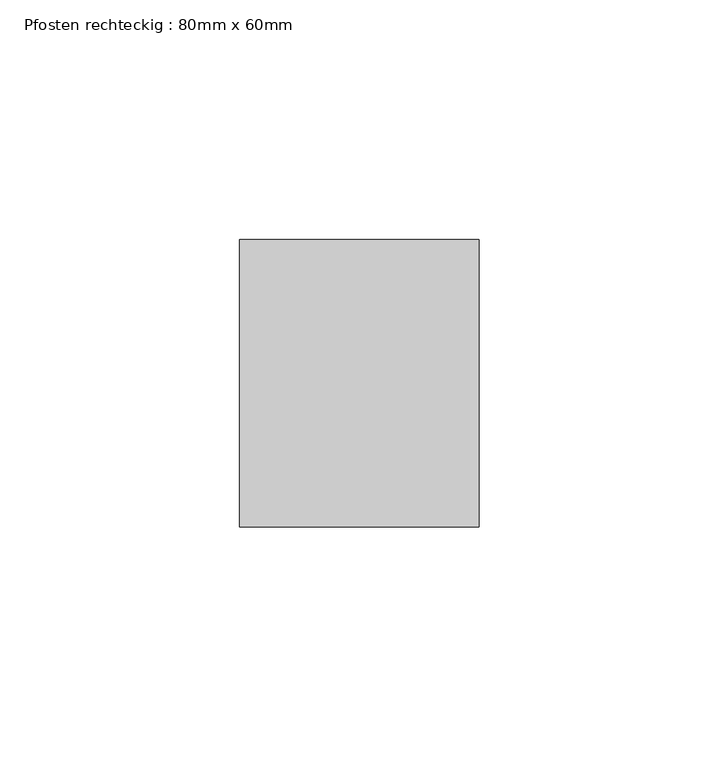
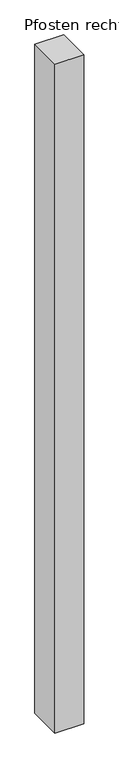
"""IFC4 building model written with IfcOpenShell, lengths in millimetres: member geometry, Pfosten rechteckig : 80mm x 60mm."""

from ifc_helpers import new_model, si_unit, frame, origin, place, context, project, spatial, polyline, outline, extrude, source, transform, mapped, element, save


def pfosten_rechteckig_80mm_x_60mm_5e942b6f(model_context):
    return source(origin(), model_context, "Body", "SweptSolid", [
        extrude(outline(polyline([(0.0, 30.0), (0.0, -30.0), (-50.0, -30.0), (-50.0, 30.0), (0.0, 30.0)])), frame((0.0, 0.0, -1225.0), z_axis=(0.0, 0.0, 1.0), x_axis=(1.0, 0.0, 0.0)), (0.0, 0.0, 1.0), 1225.0),
    ])


if __name__ == "__main__":
    model = new_model("IFC4")
    model_context = context("Model", 3, world=origin())
    ifc_project = project(units=[si_unit("LENGTHUNIT", "METRE", prefix="MILLI")], contexts=[model_context])
    site = spatial("IfcSite", under=ifc_project)
    building = spatial("IfcBuilding", under=site)
    placement = place(None, origin())
    pfosten_rechteckig_80mm_x_60mm_shape = pfosten_rechteckig_80mm_x_60mm_5e942b6f(model_context)
    element("IfcMember", 1, ObjectType="Pfosten rechteckig : 80mm x 60mm", at=placement, inside=building, context=model_context, shape_type="MappedRepresentation", body=[
        mapped(pfosten_rechteckig_80mm_x_60mm_shape, transform((0.0, 0.0, 0.0), x_axis=(1.0, 0.0, 0.0), y_axis=(0.0, 1.0, 0.0), z_axis=(0.0, 0.0, 1.0))),
    ])
    save(model, "model.ifc")
